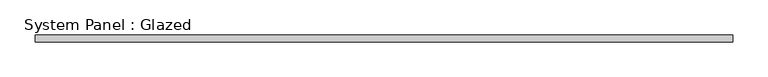
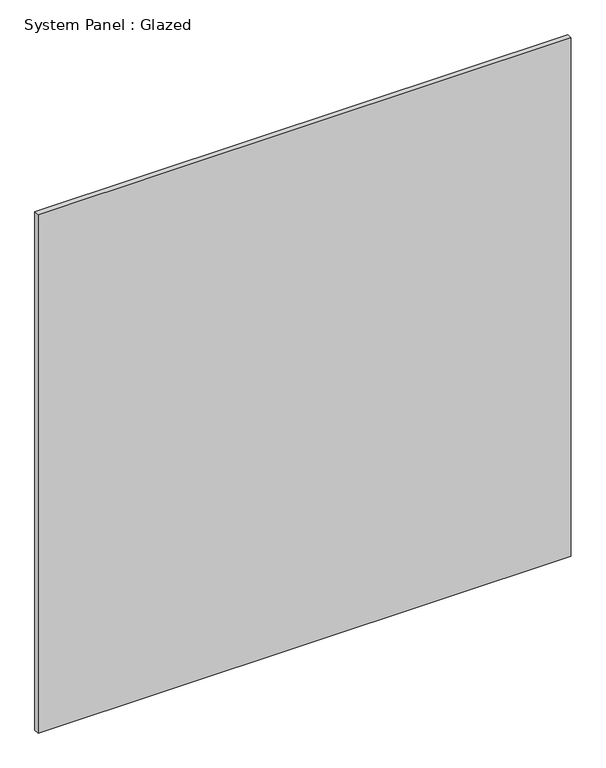
"""IFC4 building model written with IfcOpenShell, lengths in millimetres: plate geometry, System Panel : Glazed."""

from ifc_helpers import new_model, si_unit, origin, origin_with_axes, place, context, project, spatial, polyline, outline, extrude, source, transform, mapped, element, save


def system_panel_glazed_9086fe2f(model_context):
    return source(origin(), model_context, "Body", "SweptSolid", [
        extrude(outline(polyline([(496.2500001, -5.0), (-496.2500001, -5.0), (-496.2500001, 5.0), (496.2500001, 5.0), (496.2500001, -5.0)])), origin_with_axes(), (0.0, 0.0, 1.0), 1020.0),
    ])


if __name__ == "__main__":
    model = new_model("IFC4")
    model_context = context("Model", 3, world=origin())
    ifc_project = project(units=[si_unit("LENGTHUNIT", "METRE", prefix="MILLI")], contexts=[model_context])
    site = spatial("IfcSite", under=ifc_project)
    building = spatial("IfcBuilding", under=site)
    placement = place(None, origin())
    system_panel_glazed_shape = system_panel_glazed_9086fe2f(model_context)
    element("IfcPlate", 1, ObjectType="System Panel : Glazed", at=placement, inside=building, context=model_context, shape_type="MappedRepresentation", body=[
        mapped(system_panel_glazed_shape, transform((0.0, 0.0, 0.0), x_axis=(1.0, 0.0, 0.0), y_axis=(0.0, 1.0, 0.0), z_axis=(0.0, 0.0, 1.0))),
    ])
    save(model, "model.ifc")
